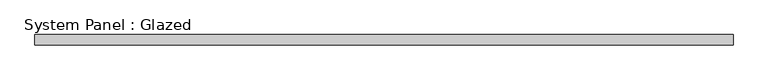
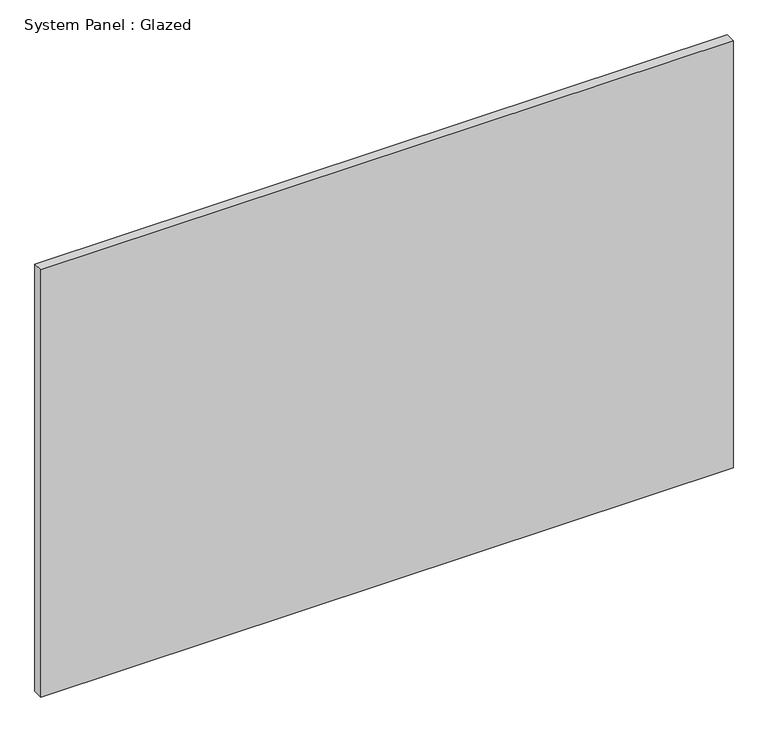
"""IFC4 building model written with IfcOpenShell, lengths in millimetres: plate geometry, System Panel : Glazed."""

from ifc_helpers import new_model, si_unit, origin, origin_with_axes, place, context, project, spatial, polyline, outline, extrude, source, transform, mapped, element, save


def system_panel_glazed_0ccfe9d7(model_context):
    return source(origin(), model_context, "Body", "SweptSolid", [
        extrude(outline(polyline([(876.3, -12.7), (-876.3, -12.7), (-876.3, 12.7), (876.3, 12.7), (876.3, -12.7)])), origin_with_axes(), (0.0, 0.0, 1.0), 1143.0),
    ])


if __name__ == "__main__":
    model = new_model("IFC4")
    model_context = context("Model", 3, world=origin())
    ifc_project = project(units=[si_unit("LENGTHUNIT", "METRE", prefix="MILLI")], contexts=[model_context])
    site = spatial("IfcSite", under=ifc_project)
    building = spatial("IfcBuilding", under=site)
    placement = place(None, origin())
    system_panel_glazed_shape = system_panel_glazed_0ccfe9d7(model_context)
    element("IfcPlate", 1, ObjectType="System Panel : Glazed", at=placement, inside=building, context=model_context, shape_type="MappedRepresentation", body=[
        mapped(system_panel_glazed_shape, transform((0.0, 0.0, 0.0), x_axis=(1.0, 0.0, 0.0), y_axis=(0.0, 1.0, 0.0), z_axis=(0.0, 0.0, 1.0))),
    ])
    save(model, "model.ifc")
